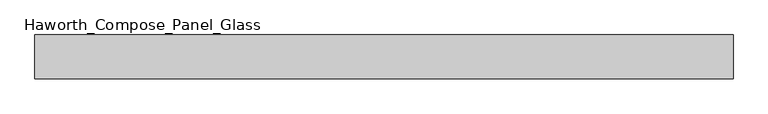
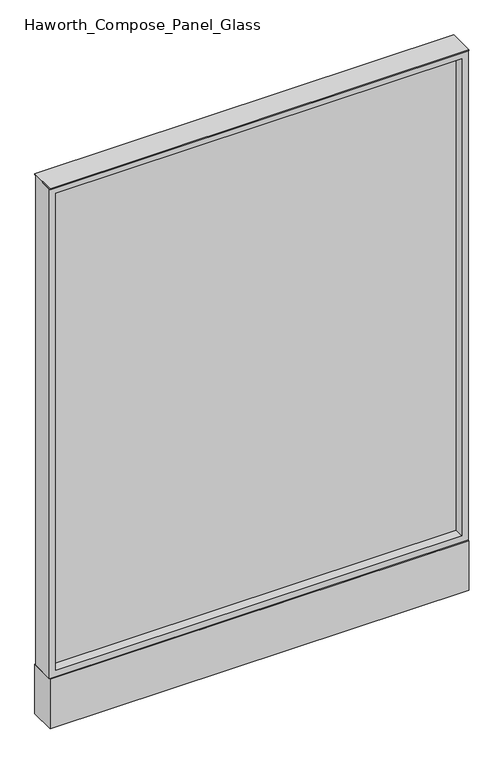
"""IFC4 building model written with IfcOpenShell, lengths in millimetres: furniture geometry, Haworth_Compose_Panel_Glass."""

from ifc_helpers import new_model, si_unit, point, frame, frame_2d, origin, origin_with_axes, place, context, project, spatial, polyline, circle_curve, trimmed, segment, composite_curve, outline, extrude, source, transform, mapped, element, save


def haworth_compose_panel_glass_41483bdc(model_context):
    return source(origin(), model_context, "Body", "SweptSolid", [
        extrude(outline(composite_curve([segment(trimmed(circle_curve(frame_2d((535.8402902, 0.0)), 12.7), [point((523.1402902, 0.0))], [point((548.5402902, 0.0))], False, "CARTESIAN"), True, "CONTINUOUS"), segment(trimmed(circle_curve(frame_2d((535.8402902, 0.0)), 12.7), [point((548.5402902, 0.0))], [point((523.1402902, 0.0))], False, "CARTESIAN"), True, "CONTINUOUS")], self_intersect=False)), origin_with_axes(), (0.0, 0.0, 1.0), 12.7),
        extrude(outline(composite_curve([segment(trimmed(circle_curve(frame_2d((-530.9597098, 0.0)), 12.7), [point((-543.6597098, 0.0))], [point((-518.2597098, 0.0))], False, "CARTESIAN"), True, "CONTINUOUS"), segment(trimmed(circle_curve(frame_2d((-530.9597098, 0.0)), 12.7), [point((-518.2597098, 0.0))], [point((-543.6597098, 0.0))], False, "CARTESIAN"), True, "CONTINUOUS")], self_intersect=False)), origin_with_axes(), (0.0, 0.0, 1.0), 12.7),
        extrude(outline(polyline([(592.9902902, -6.35), (-588.1097098, -6.35), (-588.1097098, 6.35), (592.9902902, 6.35), (592.9902902, -6.35)])), frame((0.0, 0.0, 184.15), z_axis=(0.0, 0.0, 1.0), x_axis=(1.0, 0.0, 0.0)), (0.0, 0.0, 1.0), 1466.85),
        extrude(outline(polyline([(1670.05, -607.1597098), (165.1, -607.1597098), (165.1, 612.0402902), (1670.05, 612.0402902), (1670.05, -607.1597098)]), holes=[polyline([(1651.0, 592.9902902), (184.15, 592.9902902), (184.15, -588.1097098), (1651.0, -588.1097098), (1651.0, 592.9902902)])]), frame((0.0, -34.925, 0.0), z_axis=(0.0, 1.0, 0.0), x_axis=(0.0, 0.0, 1.0)), (0.0, 0.0, 1.0), 69.85),
        extrude(outline(polyline([(-607.1597098, 38.1), (612.0402902, 38.1), (612.0402902, -38.1), (-607.1597098, -38.1), (-607.1597098, 38.1)])), frame((0.0, 0.0, 12.7), z_axis=(0.0, 0.0, 1.0), x_axis=(1.0, 0.0, 0.0)), (0.0, 0.0, 1.0), 152.4),
        extrude(outline(polyline([(-607.1597098, -38.1), (-607.1597098, 38.1), (612.0402902, 38.1), (612.0402902, -38.1), (-607.1597098, -38.1)])), frame((0.0, 0.0, 1670.05), z_axis=(0.0, 0.0, 1.0), x_axis=(1.0, 0.0, 0.0)), (0.0, 0.0, 1.0), 3.175),
    ])


if __name__ == "__main__":
    model = new_model("IFC4")
    model_context = context("Model", 3, world=origin())
    ifc_project = project(units=[si_unit("LENGTHUNIT", "METRE", prefix="MILLI")], contexts=[model_context])
    site = spatial("IfcSite", under=ifc_project)
    building = spatial("IfcBuilding", under=site)
    placement = place(None, origin())
    haworth_compose_panel_glass_shape = haworth_compose_panel_glass_41483bdc(model_context)
    element("IfcFurniture", 1, ObjectType="Haworth_Compose_Panel_Glass", at=placement, inside=building, context=model_context, shape_type="MappedRepresentation", body=[
        mapped(haworth_compose_panel_glass_shape, transform((0.0, 0.0, 0.0), x_axis=(1.0, 0.0, 0.0), y_axis=(0.0, 1.0, 0.0), z_axis=(0.0, 0.0, 1.0))),
    ])
    save(model, "model.ifc")
